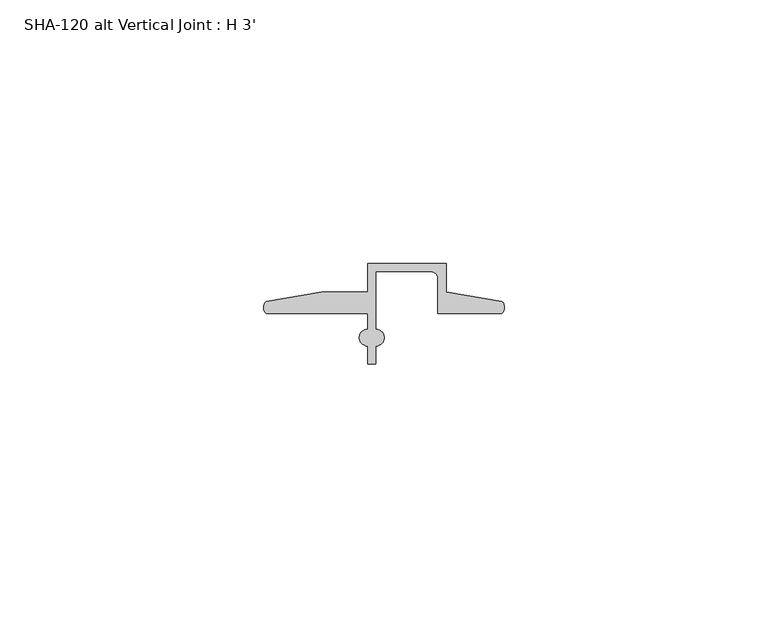
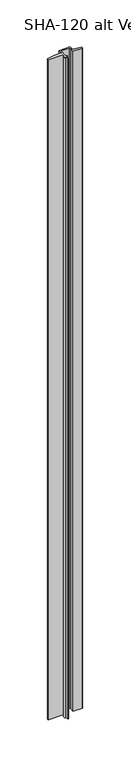
"""IFC4 building model written with IfcOpenShell, lengths in millimetres: proxy geometry, SHA-120 alt Vertical Joint : H 3'."""

from ifc_helpers import new_model, si_unit, point, frame_2d, origin, origin_with_axes, place, context, project, spatial, polyline, circle_curve, trimmed, segment, composite_curve, outline, extrude, source, transform, mapped, element, save


def sha_120_alt_vertical_joint_h_3_516b00ec(model_context):
    return source(origin(), model_context, "Body", "SweptSolid", [
        extrude(outline(composite_curve([segment(trimmed(circle_curve(frame_2d((1.6155848, 11.7336765)), 1.6162393), [point((0.5248271, 10.541))], [point((0.4587433, 12.8623692))], False, "CARTESIAN"), True, "CONTINUOUS"), segment(polyline([(0.4587433, 12.8623692), (11.0348302, 14.673343), (19.7299797, 14.673343), (19.7299797, 20.0914), (34.6397797, 20.0914), (34.6397797, 14.698743), (45.2158666, 12.8877692)]), True, "CONTINUOUS"), segment(trimmed(circle_curve(frame_2d((44.0583525, 11.7590956)), 1.6167075), [point((45.2158666, 12.8877692))], [point((45.1497828, 10.5664))], False, "CARTESIAN"), True, "CONTINUOUS"), segment(polyline([(45.1497828, 10.5664), (33.0649797, 10.5664), (33.0649797, 17.2466)]), True, "CONTINUOUS"), segment(trimmed(circle_curve(frame_2d((31.7949797, 17.2466)), 1.27), [point((33.0649797, 17.2466))], [point((31.7949797, 18.5166))], True, "CARTESIAN"), True, "CONTINUOUS"), segment(polyline([(31.7949797, 18.5166), (21.3047797, 18.5166), (21.3047797, 7.5765422)]), True, "CONTINUOUS"), segment(trimmed(circle_curve(frame_2d((21.3047797, 6.0017422)), 1.5748), [point((21.3047797, 7.5765422))], [point((21.3047797, 4.4269422))], False, "CARTESIAN"), True, "CONTINUOUS"), segment(polyline([(21.3047797, 4.4269422), (21.3047797, 1.0414), (19.7299794, 1.0414), (19.7299794, 4.4269422)]), True, "CONTINUOUS"), segment(trimmed(circle_curve(frame_2d((19.7299794, 6.0017422)), 1.5748), [point((19.7299794, 4.4269422))], [point((19.7299794, 7.5765422))], False, "CARTESIAN"), True, "CONTINUOUS"), segment(polyline([(19.7299794, 7.5765422), (19.7299794, 10.541), (0.5248271, 10.541)]), True, "CONTINUOUS")], self_intersect=False)), origin_with_axes(), (0.0, 0.0, 1.0), 914.4),
    ])


if __name__ == "__main__":
    model = new_model("IFC4")
    model_context = context("Model", 3, world=origin())
    ifc_project = project(units=[si_unit("LENGTHUNIT", "METRE", prefix="MILLI")], contexts=[model_context])
    site = spatial("IfcSite", under=ifc_project)
    building = spatial("IfcBuilding", under=site)
    placement = place(None, origin())
    sha_120_alt_vertical_joint_h_3_shape = sha_120_alt_vertical_joint_h_3_516b00ec(model_context)
    element("IfcBuildingElementProxy", 1, Name="SHA-120 alt Vertical Joint : H 3'", ObjectType="SHA-120 alt Vertical Joint : H 3'", at=placement, inside=building, context=model_context, shape_type="MappedRepresentation", body=[
        mapped(sha_120_alt_vertical_joint_h_3_shape, transform((0.0, 0.0, 0.0), x_axis=(1.0, 0.0, 0.0), y_axis=(0.0, 1.0, 0.0), z_axis=(0.0, 0.0, 1.0))),
    ])
    save(model, "model.ifc")
